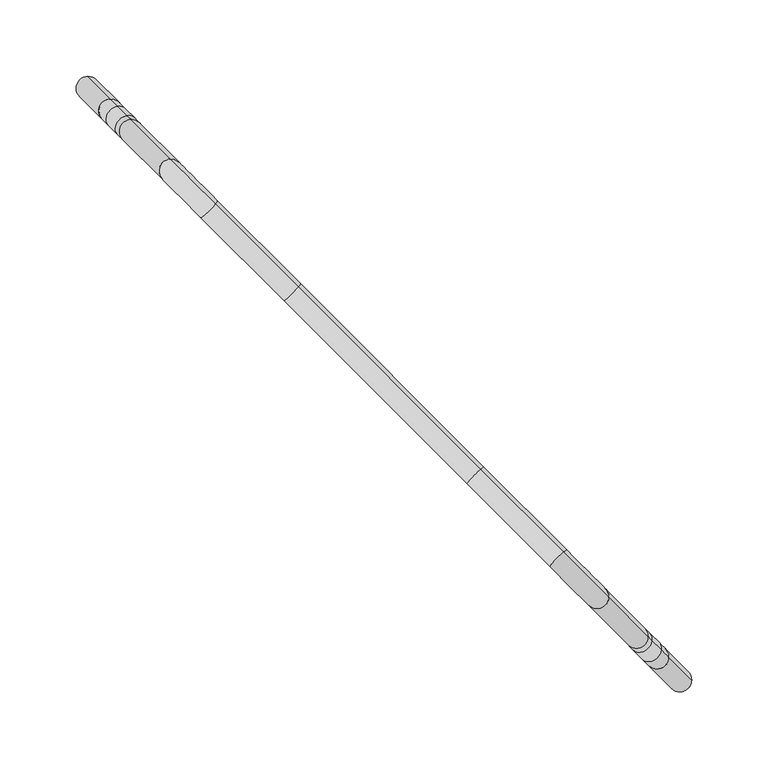
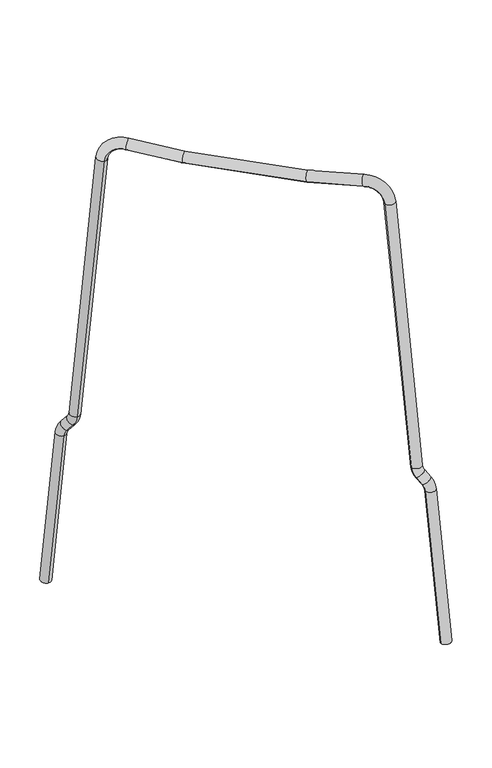
"""IFC4 building model written with IfcOpenShell, lengths in millimetres: furniture geometry."""

from ifc_helpers import new_model, si_unit, point, frame, origin, place, context, project, spatial, circle_curve, ellipse_curve, trimmed, source, transform, mapped, element, save
from ifc_brep_helpers import plane_surface, cylinder_surface, revolved_surface, advanced_brep


def furniture_bf667f6e(model_context):
    return source(origin(), model_context, "Body", "AdvancedBrep", [
        advanced_brep(
        [(186.6903645, -194.5055904, 12.500278), (202.2485292, -194.4462742, 13.4590961), (171.723726, -179.5389519, 254.4290293), (187.2818907, -179.4796357, 255.3878474), (182.5243588, -174.7221038, 271.3416406), (168.8209997, -176.6362256, 264.162962), (162.6985649, -170.5137908, 274.2175753), (176.401924, -168.599669, 281.3962539), (173.7705076, -165.9682527, 290.2203823), (158.2123429, -166.0275688, 289.2615642), (132.2112388, -140.0264647, 709.5573209), (147.7694035, -139.9671486, 710.516139), (118.220393, -110.4181381, 744.225011), (111.3889245, -119.2041504, 733.3109666), (63.7843096, -55.9820547, 736.8452493), (56.4822113, -64.2974372, 725.8674029), (-55.9811431, 63.783398, 736.8452493), (-64.2965256, 56.4812997, 725.8674029), (-110.4172265, 118.2194814, 744.225011), (-119.2032388, 111.3880129, 733.3109666), (-139.966237, 147.7684919, 710.516139), (-140.0255531, 132.2103272, 709.5573209), (-166.0266572, 158.2114313, 289.2615642), (-165.967341, 173.769596, 290.2203823), (-168.5987574, 176.4010124, 281.3962539), (-170.5128792, 162.6976533, 274.2175753), (-176.635314, 168.8200881, 264.162962), (-174.7211922, 182.5234472, 271.3416406), (-179.4787241, 187.2809791, 255.3878474), (-179.5380403, 171.7228144, 254.4290293), (-194.5046453, 186.6894194, 12.5008182), (-194.4453292, 202.2475841, 13.4596363)],
        [
            (0, 1, circle_curve(frame((194.4694468, -194.4759323, 12.979687), z_axis=(0.061628416716221816, -0.06162841671622233, -0.9961946980917453), x_axis=(0.9980991625349916, 0.0038052949942387814, 0.06151082406337204)), 7.7938973)),
            (1, 0, circle_curve(frame((194.4694468, -194.4759323, 12.979687), z_axis=(0.061628416716221816, -0.06162841671622233, -0.9961946980917453), x_axis=(0.9980991625349916, 0.0038052949942387814, 0.06151082406337204)), 7.7938973)),
            (0, 2),
            (2, 3, circle_curve(frame((179.5028083, -179.5092938, 254.9084384), z_axis=(0.061628416716221816, -0.06162841671622233, -0.9961946980917453), x_axis=(0.9980991625349916, 0.0038052949942387814, 0.06151082406337204)), 7.7938973)),
            (3, 1),
            (3, 2, circle_curve(frame((179.5028083, -179.5092938, 254.9084384), z_axis=(0.061628416716221816, -0.06162841671622233, -0.9961946980917453), x_axis=(0.9980991625349916, 0.0038052949942387814, 0.06151082406337204)), 7.7938973)),
            (4, 3, circle_curve(frame((167.4048031, -159.6025481, 252.928502), z_axis=(0.7071067811865491, 0.7071067811865459, 0.0), x_axis=(0.7044160264027569, -0.7044160264027601, 0.08715574274766072)), 28.2178242)),
            (2, 5, circle_curve(frame((159.5960626, -167.4112886, 252.928502), z_axis=(-0.7071067811865491, -0.7071067811865459, 0.0), x_axis=(0.7044160264027569, -0.7044160264027601, 0.08715574274766072)), 17.2166204)),
            (5, 4, circle_curve(frame((175.6726792, -175.6791647, 267.7523013), z_axis=(0.46141244220020095, -0.46141244220020317, -0.7577579536802572), x_axis=(0.8791082698817518, 0.12279618764747946, 0.4605320250805132)), 7.7938973)),
            (4, 5, circle_curve(frame((175.6726792, -175.6791647, 267.7523013), z_axis=(0.4614124422001985, -0.4614124422002007, -0.7577579536802602), x_axis=(0.8791082698817533, 0.12279618764747796, 0.4605320250805108)), 7.7938973)),
            (5, 6),
            (6, 7, circle_curve(frame((169.5502444, -169.5567299, 277.8069146), z_axis=(0.461412442200197, -0.46141244220019706, -0.7577579536802629), x_axis=(0.8791082698817542, 0.12279618764747686, 0.4605320250805091)), 7.7938973)),
            (7, 4),
            (7, 6, circle_curve(frame((169.5502444, -169.5567299, 277.8069146), z_axis=(0.461412442200197, -0.46141244220019706, -0.7577579536802629), x_axis=(0.8791082698817542, 0.12279618764747686, 0.4605320250805091)), 7.7938973)),
            (8, 7, circle_curve(frame((184.7646312, -176.9623762, 291.5806594), z_axis=(-0.7071067811865491, -0.7071067811865459, 0.0), x_axis=(-0.5358157875453557, 0.5358157875453581, -0.6525357336072085)), 15.6074296)),
            (6, 9, circle_curve(frame((176.9558908, -184.7711167, 291.5806594), z_axis=(0.7071067811865491, 0.7071067811865459, 0.0), x_axis=(-0.5358157875453557, 0.5358157875453581, -0.6525357336072085)), 26.6086334)),
            (9, 8, circle_curve(frame((165.9914253, -165.9979107, 289.7409733), z_axis=(0.06162841671622318, -0.06162841671622368, -0.9961946980917448), x_axis=(0.9980991625349915, 0.003805294994238817, 0.06151082406337344)), 7.7938973)),
            (8, 9, circle_curve(frame((165.9914253, -165.9979107, 289.7409733), z_axis=(0.06162841671622396, -0.061628416716224516, -0.9961946980917447), x_axis=(0.9980991625349915, 0.003805294994238928, 0.06151082406337427)), 7.7938973)),
            (9, 10),
            (10, 11, circle_curve(frame((139.9903212, -139.9968066, 710.03673), z_axis=(0.061628416716223704, -0.0616284167162241, -0.9961946980917451), x_axis=(0.9980991625349915, 0.0038052949942387615, 0.06151082406337394)), 7.7938973)),
            (11, 8),
            (11, 10, circle_curve(frame((139.9903212, -139.9968066, 710.03673), z_axis=(0.061628416716223704, -0.0616284167162241, -0.9961946980917451), x_axis=(0.9980991625349915, 0.0038052949942387615, 0.06151082406337394)), 7.7938973)),
            (12, 11, circle_curve(frame((121.5294825, -113.7272276, 707.2695352), z_axis=(0.7071067811865491, 0.7071067811865459, 0.0), x_axis=(0.704416026402757, -0.7044160264027602, 0.08715574274765985)), 37.2506019)),
            (10, 13, circle_curve(frame((113.7207421, -121.535968, 707.2695352), z_axis=(-0.7071067811865491, -0.7071067811865459, 0.0), x_axis=(0.704416026402757, -0.7044160264027602, 0.08715574274765985)), 26.2493981)),
            (13, 12, circle_curve(frame((114.8046588, -114.8111443, 738.7679888), z_axis=(0.701504572791735, -0.7015045727917384, 0.12562909179233467), x_axis=(0.4382575387642055, 0.5636469187650275, 0.7001660379388818)), 7.7938973)),
            (12, 13, circle_curve(frame((114.8046588, -114.8111443, 738.7679888), z_axis=(0.7015045727917347, -0.7015045727917381, 0.12562909179233667), x_axis=(0.43825753876420454, 0.5636469187650285, 0.7001660379388815)), 7.7938973)),
            (14, 12, circle_curve(frame((5.1828196, 2.6194353, 2006.6137382), z_axis=(-0.7071067811865491, -0.7071067811865459, 0.0), x_axis=(0.08883318272066863, -0.08883318272066903, -0.9920772809088174)), 1272.4701507)),
            (13, 15, circle_curve(frame((-2.6259208, -5.1893051, 2006.6137382), z_axis=(0.7071067811865491, 0.7071067811865459, 0.0), x_axis=(0.08883318272066863, -0.08883318272066903, -0.9920772809088174)), 1283.4713545)),
            (15, 14, circle_curve(frame((60.1332605, -60.1397459, 731.3563261), z_axis=(0.7056054780353367, -0.70560547803534, 0.06512924637245088), x_axis=(0.46844974185632293, 0.5334547156729095, 0.7042591182803952)), 7.7938973)),
            (14, 15, circle_curve(frame((60.1332605, -60.1397459, 731.3563261), z_axis=(0.7056054780353368, -0.70560547803534, 0.06512924637245088), x_axis=(0.468449741856323, 0.5334547156729095, 0.7042591182803952)), 7.7938973)),
            (16, 14, circle_curve(frame((3.9015833, 3.9006717, 2034.375379), z_axis=(-0.7071067811865491, -0.707106781186546, 0.0), x_axis=(0.04605333176352923, -0.04605333176352943, -0.9978768367223265)), 1300.2908595)),
            (15, 17, circle_curve(frame((-3.9071571, -3.9080688, 2034.375379), z_axis=(0.7071067811865491, 0.707106781186546, 0.0), x_axis=(0.04605333176352923, -0.04605333176352943, -0.9978768367223265)), 1311.2920633)),
            (17, 16, circle_curve(frame((-60.1388343, 60.1323488, 731.3563261), z_axis=(0.7056054780353332, -0.7056054780353364, -0.06512924637252578), x_axis=(0.5334547156729492, 0.4684497418562833, 0.7042591182803917)), 7.7938973)),
            (16, 17, circle_curve(frame((-60.1388343, 60.1323488, 731.3563261), z_axis=(0.7056054780353332, -0.7056054780353365, -0.06512924637252583), x_axis=(0.5334547156729492, 0.46844974185628324, 0.7042591182803917)), 7.7938973)),
            (18, 16, circle_curve(frame((2.6203469, 5.181908, 2006.6137382), z_axis=(-0.7071067811865501, -0.707106781186545, 0.0), x_axis=(-0.0460533317635822, 0.04605333176358253, -0.9978768367223215)), 1272.4701507)),
            (17, 19, circle_curve(frame((-5.1883935, -2.6268324, 2006.6137382), z_axis=(0.7071067811865501, 0.707106781186545, 0.0), x_axis=(-0.0460533317635822, 0.04605333176358253, -0.9978768367223215)), 1283.4713545)),
            (19, 18, circle_curve(frame((-114.8102326, 114.8037472, 738.7679888), z_axis=(0.7015045727917342, -0.7015045727917391, -0.12562909179233492), x_axis=(0.5636469187650304, 0.4382575387642022, 0.7001660379388817)), 7.7938973)),
            (18, 19, circle_curve(frame((-114.8102326, 114.8037472, 738.7679888), z_axis=(0.7015045727917344, -0.7015045727917393, -0.12562909179233256), x_axis=(0.5636469187650291, 0.43825753876420337, 0.7001660379388819)), 7.7938973)),
            (20, 18, circle_curve(frame((-113.726316, 121.5285709, 707.2695352), z_axis=(0.7071067811865501, 0.707106781186545, 0.0), x_axis=(0.08883318272085904, -0.08883318272085967, 0.9920772809087832)), 37.2506019)),
            (19, 21, circle_curve(frame((-121.5350564, 113.7198305, 707.2695352), z_axis=(-0.7071067811865501, -0.707106781186545, 0.0), x_axis=(0.08883318272085904, -0.08883318272085967, 0.9920772809087832)), 26.2493981)),
            (21, 20, circle_curve(frame((-139.995895, 139.9894096, 710.03673), z_axis=(0.06162841671623082, -0.06162841671623126, 0.9961946980917443), x_axis=(0.0038052949942453673, 0.9980991625349913, 0.0615108240633811)), 7.7938973)),
            (20, 21, circle_curve(frame((-139.995895, 139.9894096, 710.03673), z_axis=(0.06162841671622862, -0.06162841671622907, 0.9961946980917447), x_axis=(0.0038052949942451453, 0.9980991625349914, 0.061510824063378926)), 7.7938973)),
            (21, 22),
            (22, 23, circle_curve(frame((-165.9969991, 165.9905136, 289.7409733), z_axis=(0.061628416716225785, -0.06162841671622601, 0.9961946980917448), x_axis=(0.0038052949942448105, 0.9980991625349914, 0.06151082406337588)), 7.7938973)),
            (23, 20),
            (23, 22, circle_curve(frame((-165.9969991, 165.9905136, 289.7409733), z_axis=(0.061628416716225785, -0.06162841671622601, 0.9961946980917448), x_axis=(0.0038052949942448105, 0.9980991625349914, 0.06151082406337588)), 7.7938973)),
            (24, 23, circle_curve(frame((-176.9614646, 184.7637196, 291.5806594), z_axis=(-0.7071067811865501, -0.707106781186545, 0.0), x_axis=(0.704416026402756, -0.704416026402761, -0.08715574274766161)), 15.6074296)),
            (22, 25, circle_curve(frame((-184.770205, 176.9549791, 291.5806594), z_axis=(0.7071067811865501, 0.707106781186545, 0.0), x_axis=(0.704416026402756, -0.704416026402761, -0.08715574274766161)), 26.6086334)),
            (25, 24, circle_curve(frame((-169.5558183, 169.5493328, 277.8069146), z_axis=(0.4614124422001962, -0.4614124422001992, 0.7577579536802626), x_axis=(0.12279618764748179, 0.8791082698817536, 0.46053202508050883)), 7.7938973)),
            (24, 25, circle_curve(frame((-169.5558183, 169.5493328, 277.8069146), z_axis=(0.4614124422002, -0.46141244220020305, 0.7577579536802581), x_axis=(0.12279618764748412, 0.8791082698817514, 0.46053202508051266)), 7.7938973)),
            (25, 26),
            (26, 27, circle_curve(frame((-175.6782531, 175.6717676, 267.7523013), z_axis=(0.4614124422001961, -0.4614124422002013, 0.757757953680261), x_axis=(0.12279618764748298, 0.8791082698817526, 0.4605320250805107)), 7.7938973)),
            (27, 24),
            (27, 26, circle_curve(frame((-175.6782531, 175.6717676, 267.7523013), z_axis=(0.4614124422001961, -0.4614124422002013, 0.757757953680261), x_axis=(0.12279618764748298, 0.8791082698817526, 0.4605320250805107)), 7.7938973)),
            (28, 27, circle_curve(frame((-159.6016365, 167.4038915, 252.928502), z_axis=(0.7071067811865501, 0.707106781186545, 0.0), x_axis=(-0.5358157875453494, 0.5358157875453533, 0.6525357336072178)), 28.2178242)),
            (26, 29, circle_curve(frame((-167.4103769, 159.595151, 252.928502), z_axis=(-0.7071067811865501, -0.707106781186545, 0.0), x_axis=(-0.5358157875453494, 0.5358157875453533, 0.6525357336072178)), 17.2166204)),
            (29, 28, circle_curve(frame((-179.5083822, 179.5018967, 254.9084384), z_axis=(0.06162841671622474, -0.06162841671622468, 0.9961946980917449), x_axis=(0.0038052949942447567, 0.9980991625349915, 0.06151082406337455)), 7.7938973)),
            (28, 29, circle_curve(frame((-179.5083822, 179.5018967, 254.9084384), z_axis=(0.061628416716225126, -0.061628416716225015, 0.9961946980917449), x_axis=(0.003805294994244701, 0.9980991625349916, 0.06151082406337488)), 7.7938973)),
            (30, 31, circle_curve(frame((-194.4749873, 194.4685018, 12.9802273), z_axis=(-0.061628416716224266, 0.06162841671622417, -0.9961946980917449), x_axis=(0.0038052949942449224, 0.9980991625349916, 0.061510824063374034)), 7.7938973)),
            (31, 30, circle_curve(frame((-194.4749873, 194.4685018, 12.9802273), z_axis=(-0.061628416716224266, 0.06162841671622417, -0.9961946980917449), x_axis=(0.0038052949942449224, 0.9980991625349916, 0.061510824063374034)), 7.7938973)),
            (29, 30),
            (31, 28),
        ],
        [
            plane_surface(frame((194.4694468, -194.4759323, 12.979687), z_axis=(0.06162841671622182, -0.061628416716222344, -0.9961946980917453), x_axis=(0.7071067811865491, 0.707106781186546, 0.0))),
            cylinder_surface(frame((194.4694468, -194.4759323, 12.979687), z_axis=(0.061628416716221816, -0.06162841671622233, -0.9961946980917453), x_axis=(0.9980991625349916, 0.0038052949942387814, 0.06151082406337204)), 7.7938973),
            revolved_surface(trimmed(ellipse_curve(frame((179.5028083, -179.5092938, 254.9084384), z_axis=(0.0616284167162211, -0.06162841671622144, -0.9961946980917455), x_axis=(0.9980991625349919, 0.003805294994238817, 0.06151082406337133)), 7.7938973, 7.7938973), [point((171.723726, -179.5389519, 254.4290293))], [point((187.2818907, -179.4796357, 255.3878474))], True, "CARTESIAN"), (163.5004329, -163.5069183, 252.928502), (-0.7071067811865491, -0.7071067811865459, 0.0)),
            revolved_surface(trimmed(ellipse_curve(frame((179.5028083, -179.5092938, 254.9084384), z_axis=(0.0616284167162211, -0.06162841671622144, -0.9961946980917455), x_axis=(0.9980991625349919, 0.003805294994238817, 0.06151082406337133)), 7.7938973, 7.7938973), [point((187.2818907, -179.4796357, 255.3878474))], [point((171.723726, -179.5389519, 254.4290293))], True, "CARTESIAN"), (163.5004329, -163.5069183, 252.928502), (-0.7071067811865491, -0.7071067811865459, 0.0)),
            cylinder_surface(frame((175.6726792, -175.6791647, 267.7523013), z_axis=(0.4614124422001971, -0.46141244220019717, -0.7577579536802631), x_axis=(0.8791082698817542, 0.12279618764747686, 0.4605320250805091)), 7.7938973),
            revolved_surface(trimmed(ellipse_curve(frame((169.5502444, -169.5567299, 277.8069146), z_axis=(0.46141244220019456, -0.4614124422001968, -0.7577579536802643), x_axis=(0.8791082698817554, 0.12279618764747557, 0.4605320250805069)), 7.7938973, 7.7938973), [point((162.6985649, -170.5137908, 274.2175753))], [point((176.401924, -168.599669, 281.3962539))], True, "CARTESIAN"), (180.860261, -180.8667464, 291.5806594), (0.7071067811865491, 0.7071067811865459, 0.0)),
            revolved_surface(trimmed(ellipse_curve(frame((169.5502444, -169.5567299, 277.8069146), z_axis=(0.46141244220019456, -0.4614124422001968, -0.7577579536802643), x_axis=(0.8791082698817554, 0.12279618764747557, 0.4605320250805069)), 7.7938973, 7.7938973), [point((176.401924, -168.599669, 281.3962539))], [point((162.6985649, -170.5137908, 274.2175753))], True, "CARTESIAN"), (180.860261, -180.8667464, 291.5806594), (0.7071067811865491, 0.7071067811865459, 0.0)),
            cylinder_surface(frame((165.9914253, -165.9979107, 289.7409733), z_axis=(0.061628416716223704, -0.0616284167162241, -0.9961946980917451), x_axis=(0.9980991625349915, 0.0038052949942387615, 0.06151082406337394)), 7.7938973),
            revolved_surface(trimmed(ellipse_curve(frame((139.9903212, -139.9968066, 710.03673), z_axis=(0.06162841671622054, -0.06162841671622095, -0.9961946980917457), x_axis=(0.998099162534992, 0.0038052949942385395, 0.06151082406337077)), 7.7938973, 7.7938973), [point((132.2112388, -140.0264647, 709.5573209))], [point((147.7694035, -139.9671486, 710.516139))], True, "CARTESIAN"), (117.6251123, -117.6315978, 707.2695352), (-0.7071067811865491, -0.7071067811865459, 0.0)),
            revolved_surface(trimmed(ellipse_curve(frame((139.9903212, -139.9968066, 710.03673), z_axis=(0.06162841671622054, -0.06162841671622095, -0.9961946980917457), x_axis=(0.998099162534992, 0.0038052949942385395, 0.06151082406337077)), 7.7938973, 7.7938973), [point((147.7694035, -139.9671486, 710.516139))], [point((132.2112388, -140.0264647, 709.5573209))], True, "CARTESIAN"), (117.6251123, -117.6315978, 707.2695352), (-0.7071067811865491, -0.7071067811865459, 0.0)),
            revolved_surface(trimmed(ellipse_curve(frame((114.8046588, -114.8111443, 738.7679888), z_axis=(0.7015045727917346, -0.7015045727917378, 0.12562909179233736), x_axis=(0.4382575387642039, 0.5636469187650287, 0.7001660379388817)), 7.7938973, 7.7938973), [point((111.3889245, -119.2041504, 733.3109666))], [point((118.220393, -110.4181381, 744.225011))], True, "CARTESIAN"), (1.2784494, -1.2849349, 2006.6137382), (0.7071067811865491, 0.7071067811865459, 0.0)),
            revolved_surface(trimmed(ellipse_curve(frame((114.8046588, -114.8111443, 738.7679888), z_axis=(0.7015045727917346, -0.7015045727917378, 0.12562909179233736), x_axis=(0.4382575387642039, 0.5636469187650287, 0.7001660379388817)), 7.7938973, 7.7938973), [point((118.220393, -110.4181381, 744.225011))], [point((111.3889245, -119.2041504, 733.3109666))], True, "CARTESIAN"), (1.2784494, -1.2849349, 2006.6137382), (0.7071067811865491, 0.7071067811865459, 0.0)),
            revolved_surface(trimmed(ellipse_curve(frame((60.1332605, -60.1397459, 731.3563261), z_axis=(0.7056054780353368, -0.7056054780353399, 0.06512924637245099), x_axis=(0.468449741856323, 0.5334547156729098, 0.7042591182803952)), 7.7938973, 7.7938973), [point((56.4822113, -64.2974372, 725.8674029))], [point((63.7843096, -55.9820547, 736.8452493))], True, "CARTESIAN"), (-0.0027869, -0.0036985, 2034.375379), (0.7071067811865491, 0.707106781186546, 0.0)),
            revolved_surface(trimmed(ellipse_curve(frame((60.1332605, -60.1397459, 731.3563261), z_axis=(0.7056054780353368, -0.7056054780353399, 0.06512924637245099), x_axis=(0.468449741856323, 0.5334547156729098, 0.7042591182803952)), 7.7938973, 7.7938973), [point((63.7843096, -55.9820547, 736.8452493))], [point((56.4822113, -64.2974372, 725.8674029))], True, "CARTESIAN"), (-0.0027869, -0.0036985, 2034.375379), (0.7071067811865491, 0.707106781186546, 0.0)),
            revolved_surface(trimmed(ellipse_curve(frame((-60.1388343, 60.1323488, 731.3563261), z_axis=(0.7056054780353326, -0.7056054780353375, -0.06512924637252578), x_axis=(0.5334547156729499, 0.4684497418562828, 0.7042591182803914)), 7.7938973, 7.7938973), [point((-64.2965256, 56.4812997, 725.8674029))], [point((-55.9811431, 63.783398, 736.8452493))], True, "CARTESIAN"), (-1.2840233, 1.2775378, 2006.6137382), (0.7071067811865501, 0.707106781186545, 0.0)),
            revolved_surface(trimmed(ellipse_curve(frame((-60.1388343, 60.1323488, 731.3563261), z_axis=(0.7056054780353326, -0.7056054780353375, -0.06512924637252578), x_axis=(0.5334547156729499, 0.4684497418562828, 0.7042591182803914)), 7.7938973, 7.7938973), [point((-55.9811431, 63.783398, 736.8452493))], [point((-64.2965256, 56.4812997, 725.8674029))], True, "CARTESIAN"), (-1.2840233, 1.2775378, 2006.6137382), (0.7071067811865501, 0.707106781186545, 0.0)),
            revolved_surface(trimmed(ellipse_curve(frame((-114.8102326, 114.8037472, 738.7679888), z_axis=(0.7015045727917096, -0.7015045727917147, -0.12562909179260648), x_axis=(0.5636469187651659, 0.4382575387640666, 0.7001660379388573)), 7.7938973, 7.7938973), [point((-119.2032388, 111.3880129, 733.3109666))], [point((-110.4172265, 118.2194814, 744.225011))], True, "CARTESIAN"), (-117.6306862, 117.6242007, 707.2695352), (-0.7071067811865501, -0.707106781186545, 0.0)),
            revolved_surface(trimmed(ellipse_curve(frame((-114.8102326, 114.8037472, 738.7679888), z_axis=(0.7015045727917096, -0.7015045727917147, -0.12562909179260648), x_axis=(0.5636469187651659, 0.4382575387640666, 0.7001660379388573)), 7.7938973, 7.7938973), [point((-110.4172265, 118.2194814, 744.225011))], [point((-119.2032388, 111.3880129, 733.3109666))], True, "CARTESIAN"), (-117.6306862, 117.6242007, 707.2695352), (-0.7071067811865501, -0.707106781186545, 0.0)),
            cylinder_surface(frame((-139.995895, 139.9894096, 710.03673), z_axis=(0.061628416716225785, -0.06162841671622601, 0.9961946980917448), x_axis=(0.0038052949942448105, 0.9980991625349914, 0.06151082406337588)), 7.7938973),
            revolved_surface(trimmed(ellipse_curve(frame((-165.9969991, 165.9905136, 289.7409733), z_axis=(0.061628416716221594, -0.0616284167162218, 0.9961946980917455), x_axis=(0.0038052949942445347, 0.9980991625349919, 0.06151082406337167)), 7.7938973, 7.7938973), [point((-166.0266572, 158.2114313, 289.2615642))], [point((-165.967341, 173.769596, 290.2203823))], True, "CARTESIAN"), (-180.8658348, 180.8593493, 291.5806594), (0.7071067811865501, 0.707106781186545, 0.0)),
            revolved_surface(trimmed(ellipse_curve(frame((-165.9969991, 165.9905136, 289.7409733), z_axis=(0.061628416716221594, -0.0616284167162218, 0.9961946980917455), x_axis=(0.0038052949942445347, 0.9980991625349919, 0.06151082406337167)), 7.7938973, 7.7938973), [point((-165.967341, 173.769596, 290.2203823))], [point((-166.0266572, 158.2114313, 289.2615642))], True, "CARTESIAN"), (-180.8658348, 180.8593493, 291.5806594), (0.7071067811865501, 0.707106781186545, 0.0)),
            cylinder_surface(frame((-169.5558183, 169.5493328, 277.8069146), z_axis=(0.4614124422001962, -0.4614124422002014, 0.7577579536802612), x_axis=(0.12279618764748298, 0.8791082698817526, 0.4605320250805107)), 7.7938973),
            revolved_surface(trimmed(ellipse_curve(frame((-175.6782531, 175.6717676, 267.7523013), z_axis=(0.46141244220020083, -0.4614124422002036, 0.7577579536802569), x_axis=(0.12279618764748446, 0.879108269881751, 0.4605320250805133)), 7.7938973, 7.7938973), [point((-176.635314, 168.8200881, 264.162962))], [point((-174.7211922, 182.5234472, 271.3416406))], True, "CARTESIAN"), (-163.5060067, 163.4995212, 252.928502), (-0.7071067811865501, -0.707106781186545, 0.0)),
            revolved_surface(trimmed(ellipse_curve(frame((-175.6782531, 175.6717676, 267.7523013), z_axis=(0.46141244220020083, -0.4614124422002036, 0.7577579536802569), x_axis=(0.12279618764748446, 0.879108269881751, 0.4605320250805133)), 7.7938973, 7.7938973), [point((-174.7211922, 182.5234472, 271.3416406))], [point((-176.635314, 168.8200881, 264.162962))], True, "CARTESIAN"), (-163.5060067, 163.4995212, 252.928502), (-0.7071067811865501, -0.707106781186545, 0.0)),
            plane_surface(frame((-194.4749873, 194.4685018, 12.9802273), z_axis=(-0.06162841671622429, 0.061628416716224155, -0.9961946980917451), x_axis=(0.7071067811865503, 0.7071067811865448, 0.0))),
            cylinder_surface(frame((-179.5083822, 179.5018967, 254.9084384), z_axis=(0.06162841671622428, -0.06162841671622418, 0.9961946980917451), x_axis=(0.0038052949942449224, 0.9980991625349916, 0.061510824063374034)), 7.7938973),
        ],
        [
            (0, [[1, 2]]),
            (1, [[-1, 3, 4, 5]]),
            (1, [[-2, -5, 6, -3]]),
            (2, [[7, -4, 8, 9]]),
            (3, [[-8, -6, -7, 10]]),
            (4, [[-9, 11, 12, 13]]),
            (4, [[-10, -13, 14, -11]]),
            (5, [[15, -12, 16, 17]]),
            (6, [[-16, -14, -15, 18]]),
            (7, [[-17, 19, 20, 21]]),
            (7, [[-18, -21, 22, -19]]),
            (8, [[23, -20, 24, 25]]),
            (9, [[-24, -22, -23, 26]]),
            (10, [[27, -25, 28, 29]]),
            (11, [[-28, -26, -27, 30]]),
            (12, [[31, -29, 32, 33]]),
            (13, [[-32, -30, -31, 34]]),
            (14, [[35, -33, 36, 37]]),
            (15, [[-36, -34, -35, 38]]),
            (16, [[39, -37, 40, 41]]),
            (17, [[-40, -38, -39, 42]]),
            (18, [[-41, 43, 44, 45]]),
            (18, [[-42, -45, 46, -43]]),
            (19, [[47, -44, 48, 49]]),
            (20, [[-48, -46, -47, 50]]),
            (21, [[-49, 51, 52, 53]]),
            (21, [[-50, -53, 54, -51]]),
            (22, [[55, -52, 56, 57]]),
            (23, [[-56, -54, -55, 58]]),
            (24, [[59, 60]]),
            (25, [[-57, 61, -60, 62]]),
            (25, [[-58, -62, -59, -61]]),
        ],
    ),
    ])


if __name__ == "__main__":
    model = new_model("IFC4")
    model_context = context("Model", 3, world=origin())
    ifc_project = project(units=[si_unit("LENGTHUNIT", "METRE", prefix="MILLI")], contexts=[model_context])
    site = spatial("IfcSite", under=ifc_project)
    building = spatial("IfcBuilding", under=site)
    placement = place(None, origin())
    furniture_shape = furniture_bf667f6e(model_context)
    element("IfcFurniture", 1, at=placement, inside=building, context=model_context, shape_type="MappedRepresentation", body=[
        mapped(furniture_shape, transform((0.0, 0.0, 0.0), x_axis=(1.0, 0.0, 0.0), y_axis=(0.0, 1.0, 0.0), z_axis=(0.0, 0.0, 1.0))),
    ])
    save(model, "model.ifc")
